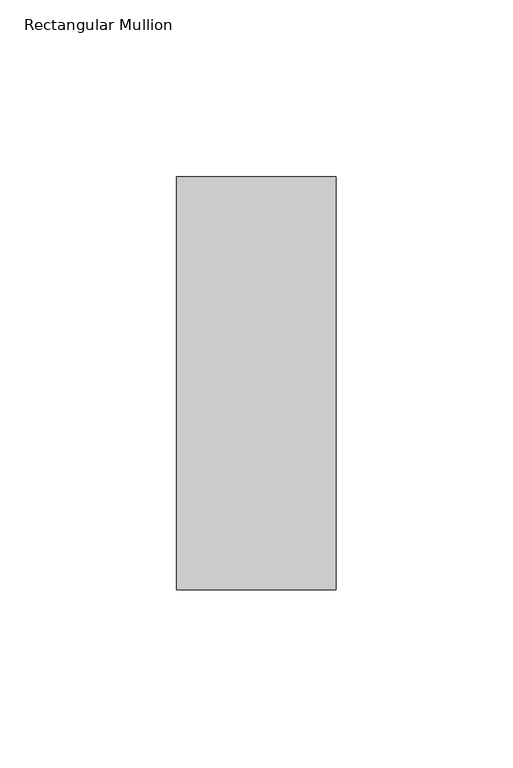
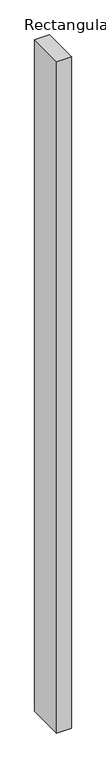
"""IFC4 building model written with IfcOpenShell, lengths in millimetres: member geometry, Rectangular Mullion."""

from ifc_helpers import new_model, si_unit, frame, origin, place, context, project, spatial, polyline, outline, extrude, source, transform, mapped, element, save


def rectangular_mullion_5200b87a(model_context):
    return source(origin(), model_context, "Body", "SweptSolid", [
        extrude(outline(polyline([(0.0, 73.875), (0.0, -42.8257813), (-45.0453125, -42.8257813), (-45.0453125, 73.875), (0.0, 73.875)])), frame((0.0, 0.0, -2180.6210113), z_axis=(0.0, 0.0, 1.0), x_axis=(1.0, 0.0, 0.0)), (0.0, 0.0, 1.0), 2180.6210113),
    ])


if __name__ == "__main__":
    model = new_model("IFC4")
    model_context = context("Model", 3, world=origin())
    ifc_project = project(units=[si_unit("LENGTHUNIT", "METRE", prefix="MILLI")], contexts=[model_context])
    site = spatial("IfcSite", under=ifc_project)
    building = spatial("IfcBuilding", under=site)
    placement = place(None, origin())
    rectangular_mullion_shape = rectangular_mullion_5200b87a(model_context)
    element("IfcMember", 1, ObjectType="Rectangular Mullion", at=placement, inside=building, context=model_context, shape_type="MappedRepresentation", body=[
        mapped(rectangular_mullion_shape, transform((0.0, 0.0, 0.0), x_axis=(1.0, 0.0, 0.0), y_axis=(0.0, 1.0, 0.0), z_axis=(0.0, 0.0, 1.0))),
    ])
    save(model, "model.ifc")
